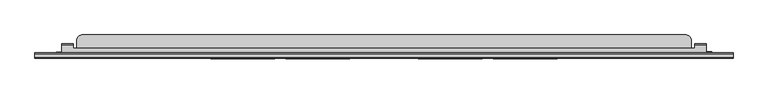
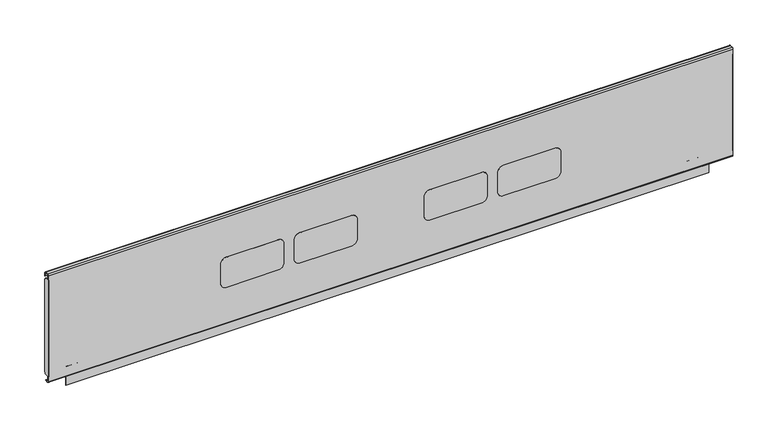
"""IFC4 building model written with IfcOpenShell, lengths in millimetres: furniture geometry."""

from ifc_helpers import new_model, si_unit, point, frame, frame_2d, origin, place, context, project, spatial, polyline, circle_curve, trimmed, segment, composite_curve, outline, extrude, source, transform, mapped, element, save
from ifc_brep_helpers import plane_surface, cylinder_surface, revolved_surface, advanced_brep


def furniture_33774c59(model_context):
    return source(origin(), model_context, "Body", "SolidModel", [
        advanced_brep(
        [(1152.8385851, -189.0734003, 484.7619804), (1152.8385851, -188.2141807, 484.7619804), (1152.8385851, -188.2141807, 502.7217435), (1152.8385851, -190.2544323, 504.7619951), (1152.8385851, -205.2802599, 504.7619951), (1152.8385851, -205.2802599, 503.9524031), (1152.8385851, -190.6453154, 503.9524031), (1152.8385851, -189.0734003, 502.380488), (66.3614013, -189.0734003, 484.7619804), (66.3614013, -189.0734003, 502.380488), (66.3614013, -190.6453154, 503.9524031), (66.3614013, -205.2802599, 503.9524031), (66.3614013, -205.2802599, 504.7619951), (66.3614013, -190.2544323, 504.7619951), (66.3614013, -188.2141807, 502.7217435), (66.3614013, -188.2141807, 484.7619804), (1132.8385704, -189.0734003, 484.7619804), (1132.8385704, -188.2141807, 484.7619804), (86.3614023, -188.2141807, 484.7619804), (86.3614023, -189.0734003, 484.7619804), (1132.8385704, -188.2141807, 502.7217435), (86.3614023, -188.2141807, 502.7217435), (1132.8385704, -190.2544323, 504.7619951), (86.3614023, -190.2544323, 504.7619951), (1132.8385704, -196.3134, 504.7619951), (86.3614023, -196.3134, 504.7619951), (86.3614023, -190.6453154, 503.9524031), (86.3614023, -196.3134, 503.9524031), (1132.8385704, -196.3134, 503.9524031), (1132.8385704, -190.6453154, 503.9524031), (1132.8385704, -189.0734003, 502.380488), (86.3614023, -189.0734003, 502.380488)],
        [
            (0, 1),
            (1, 2),
            (2, 3, circle_curve(frame((1152.8385851, -190.2544323, 502.7217435), z_axis=(1.0, 0.0, 0.0), x_axis=(0.0, 1.0, 0.0)), 2.0402516)),
            (3, 4),
            (4, 5),
            (5, 6),
            (6, 7, circle_curve(frame((1152.8385851, -190.6453154, 502.380488), z_axis=(-1.0, 0.0, 0.0), x_axis=(0.0, 1.0, 0.0)), 1.571915)),
            (7, 0),
            (8, 9),
            (9, 10, circle_curve(frame((66.3614013, -190.6453154, 502.380488), z_axis=(1.0, 0.0, 0.0), x_axis=(0.0, 1.0, 0.0)), 1.571915)),
            (10, 11),
            (11, 12),
            (12, 13),
            (13, 14, circle_curve(frame((66.3614013, -190.2544323, 502.7217435), z_axis=(-1.0, 0.0, 0.0), x_axis=(0.0, 1.0, 0.0)), 2.0402516)),
            (14, 15),
            (15, 8),
            (0, 16),
            (16, 17),
            (17, 1),
            (15, 18),
            (18, 19),
            (19, 8),
            (17, 20),
            (20, 2),
            (14, 21),
            (21, 18),
            (20, 22, circle_curve(frame((1132.8385704, -190.2544323, 502.7217435), z_axis=(1.0, 0.0, 0.0), x_axis=(0.0, 1.0, 0.0)), 2.0402516)),
            (22, 3),
            (13, 23),
            (23, 21, circle_curve(frame((86.3614023, -190.2544323, 502.7217435), z_axis=(-1.0, 0.0, 0.0), x_axis=(0.0, 1.0, 0.0)), 2.0402516)),
            (22, 24),
            (24, 25),
            (25, 23),
            (12, 4),
            (11, 5),
            (10, 26),
            (26, 27),
            (27, 28),
            (28, 29),
            (29, 6),
            (29, 30, circle_curve(frame((1132.8385704, -190.6453154, 502.380488), z_axis=(-1.0, 0.0, 0.0), x_axis=(0.0, 1.0, 0.0)), 1.571915)),
            (30, 7),
            (9, 31),
            (31, 26, circle_curve(frame((86.3614023, -190.6453154, 502.380488), z_axis=(1.0, 0.0, 0.0), x_axis=(0.0, 1.0, 0.0)), 1.571915)),
            (30, 16),
            (19, 31),
            (27, 25),
            (24, 28),
        ],
        [
            plane_surface(frame((1152.8385851, -189.0734003, 484.7619804), z_axis=(1.0, 0.0, 0.0), x_axis=(0.0, 1.0, 0.0))),
            plane_surface(frame((66.3614013, -189.0734003, 484.7619804), z_axis=(-1.0, 0.0, 0.0), x_axis=(0.0, -1.0, 0.0))),
            plane_surface(frame((1152.8385851, -189.0734003, 484.7619804), z_axis=(0.0, 0.0, -1.0), x_axis=(-1.0, 0.0, 0.0))),
            plane_surface(frame((1152.8385851, -188.2141807, 484.7619804), z_axis=(0.0, 1.0, 0.0), x_axis=(-1.0, 0.0, 0.0))),
            cylinder_surface(frame((66.3614013, -190.2544323, 502.7217435), z_axis=(1.0, 0.0, 0.0), x_axis=(0.0, 1.0, 0.0)), 2.0402516),
            plane_surface(frame((1152.8385851, -190.2544323, 504.7619951), z_axis=(0.0, 0.0, 1.0), x_axis=(-1.0, 0.0, 0.0))),
            plane_surface(frame((1152.8385851, -205.2802599, 504.7619951), z_axis=(0.0, -1.0, 0.0), x_axis=(-1.0, 0.0, 0.0))),
            plane_surface(frame((1152.8385851, -205.2802599, 503.9524031), z_axis=(0.0, 0.0, -1.0), x_axis=(-1.0, 0.0, 0.0))),
            revolved_surface(polyline([(1132.8385704, -189.0734004, 502.380488), (1152.8385851, -189.0734004, 502.380488)]), (66.3614013, -190.6453154, 502.380488), (-1.0, 0.0, 0.0)),
            revolved_surface(polyline([(66.3614013, -189.0734004, 502.380488), (86.3614023, -189.0734004, 502.380488)]), (66.3614013, -190.6453154, 502.380488), (-1.0, 0.0, 0.0)),
            plane_surface(frame((1152.8385851, -189.0734003, 502.380488), z_axis=(0.0, -1.0, 0.0), x_axis=(-1.0, 0.0, 0.0))),
            plane_surface(frame((86.3614023, -196.3134, 504.7619951), z_axis=(0.0, 1.0, 0.0), x_axis=(0.0, 0.0, -1.0))),
            plane_surface(frame((1132.8385704, -196.3134, 504.7619951), z_axis=(-1.0, 0.0, 0.0), x_axis=(0.0, 0.0, -1.0))),
            plane_surface(frame((86.3614023, -188.2141807, 504.7619951), z_axis=(1.0, 0.0, 0.0), x_axis=(0.0, 0.0, -1.0))),
        ],
        [
            (0, [[1, 2, 3, 4, 5, 6, 7, 8]]),
            (1, [[9, 10, 11, 12, 13, 14, 15, 16]]),
            (2, [[-1, 17, 18, 19]]),
            (2, [[-16, 20, 21, 22]]),
            (3, [[-2, -19, 23, 24]]),
            (3, [[-15, 25, 26, -20]]),
            (4, [[-3, -24, 27, 28]]),
            (4, [[-14, 29, 30, -25]]),
            (5, [[-4, -28, 31, 32, 33, -29, -13, 34]]),
            (6, [[-5, -34, -12, 35]]),
            (7, [[-6, -35, -11, 36, 37, 38, 39, 40]]),
            (8, [[-7, -40, 41, 42]]),
            (9, [[-10, 43, 44, -36]]),
            (10, [[-8, -42, 45, -17]]),
            (10, [[-9, -22, 46, -43]]),
            (11, [[47, -32, 48, -38]]),
            (12, [[-48, -31, -27, -23, -18, -45, -41, -39]]),
            (13, [[-47, -37, -44, -46, -21, -26, -30, -33]]),
        ],
    ),
        advanced_brep(
        [(1161.988608, -202.8234, 481.0000008), (1161.988608, -202.8234, 499.2323507), (1161.988608, -202.3166887, 500.0149173), (1161.988608, -202.3166887, 500.9515261), (1161.988608, -203.7334, 499.164291), (1161.988608, -203.7334, 481.0000008), (57.1999969, -203.7334, 481.0000008), (57.1999969, -203.7334, 499.164291), (57.1999969, -203.20254, 500.4554821), (57.1999969, -203.20254, 481.0000008), (66.3614013, -202.8234, 481.0000008), (66.3614013, -202.8234, 499.2323507), (66.3614013, -201.9657451, 500.0900056), (1150.8385846, -201.9657451, 500.0900056), (1150.8385846, -202.3166887, 500.0149173), (92.2113995, -181.7333994, 500.0900056), (93.2832, -177.7334005, 500.0900056), (96.2114006, -174.8051976, 500.0900056), (100.2114018, -173.7333994, 500.0900056), (1119.0721778, -173.7333994, 500.0900056), (1123.0721789, -174.8051976, 500.0900056), (1126.0003795, -177.7334005, 500.0900056), (1127.07218, -181.7333994, 500.0900056), (1127.07218, -196.3134, 500.0900056), (1150.8385846, -196.3134, 500.0900056), (66.3614013, -196.3134, 500.0900056), (92.2113995, -196.3134, 500.0900056), (100.2114018, -173.7333994, 500.9999791), (1119.0721778, -173.7333994, 500.9999791), (93.2832, -177.7334005, 500.9999791), (92.2113995, -181.7333994, 500.9999791), (92.2113995, -196.3134, 500.9999791), (66.3614013, -196.3134, 500.9999791), (66.3614013, -201.8977118, 500.9999791), (1150.8385846, -201.8977118, 500.9999791), (1150.8385846, -196.3134, 500.9999791), (1127.07218, -196.3134, 500.9999791), (1127.07218, -181.7333994, 500.9999791), (1126.0003795, -177.7334005, 500.9999791), (1123.0721789, -174.8051976, 500.9999791), (96.2114006, -174.8051976, 500.9999791), (1150.8385846, -202.3166887, 500.9515261), (66.3614013, -203.20254, 500.4554821), (66.3614013, -203.20254, 481.0000008)],
        [
            (0, 1),
            (1, 2, circle_curve(frame((1161.988608, -201.9657451, 499.2323507), z_axis=(-1.0, 0.0, 0.0), x_axis=(0.0, 1.0, 0.0)), 0.8576549)),
            (2, 3),
            (3, 4, circle_curve(frame((1161.988608, -201.8977118, 499.164291), z_axis=(1.0, 0.0, 0.0), x_axis=(0.0, 1.0, 0.0)), 1.8356882)),
            (4, 5),
            (5, 0),
            (6, 7),
            (7, 8, circle_curve(frame((57.1999969, -201.8977118, 499.164291), z_axis=(-1.0, 0.0, 0.0), x_axis=(0.0, 1.0, 0.0)), 1.8356882)),
            (8, 9),
            (9, 6),
            (0, 10),
            (10, 11),
            (11, 1),
            (11, 12, circle_curve(frame((66.3614013, -201.9657451, 499.2323507), z_axis=(-1.0, 0.0, 0.0), x_axis=(0.0, 1.0, 0.0)), 0.8576549)),
            (12, 13),
            (13, 14, circle_curve(frame((1150.8385846, -201.9657451, 499.2323507), z_axis=(1.0, 0.0, 0.0), x_axis=(0.0, 1.0, 0.0)), 0.8576549)),
            (14, 2),
            (15, 16),
            (16, 17),
            (17, 18),
            (18, 19),
            (19, 20),
            (20, 21),
            (21, 22),
            (22, 23),
            (23, 24),
            (24, 13),
            (12, 25),
            (25, 26),
            (26, 15),
            (18, 27),
            (27, 28),
            (28, 19),
            (29, 30),
            (30, 31),
            (31, 32),
            (32, 33),
            (33, 34),
            (34, 35),
            (35, 36),
            (36, 37),
            (37, 38),
            (38, 39),
            (39, 28),
            (27, 40),
            (40, 29),
            (7, 4),
            (3, 41),
            (41, 34, circle_curve(frame((1150.8385846, -201.8977118, 499.164291), z_axis=(-1.0, 0.0, 0.0), x_axis=(0.0, 1.0, 0.0)), 1.8356882)),
            (33, 42, circle_curve(frame((66.3614013, -201.8977118, 499.164291), z_axis=(1.0, 0.0, 0.0), x_axis=(0.0, 1.0, 0.0)), 1.8356882)),
            (42, 8),
            (6, 5),
            (9, 43),
            (43, 10),
            (15, 30),
            (29, 16),
            (40, 17),
            (42, 43),
            (32, 25),
            (31, 26),
            (21, 38),
            (37, 22),
            (20, 39),
            (14, 41),
            (24, 35),
            (23, 36),
        ],
        [
            plane_surface(frame((1161.988608, -202.8234, 494.4355179), z_axis=(1.0, 0.0, 0.0), x_axis=(0.0, 0.0, 1.0))),
            plane_surface(frame((57.1999969, -202.8234, 494.4355179), z_axis=(-1.0, 0.0, 0.0), x_axis=(0.0, 0.0, -1.0))),
            plane_surface(frame((1161.988608, -202.8234, 481.0000008), z_axis=(0.0, 1.0, 0.0), x_axis=(-1.0, 0.0, 0.0))),
            revolved_surface(polyline([(66.3614013, -201.1080902, 499.2323507), (1161.988608, -201.1080902, 499.2323507)]), (57.1999969, -201.9657451, 499.2323507), (-1.0, 0.0, 0.0)),
            plane_surface(frame((1161.988608, -201.9657451, 500.0900056), z_axis=(0.0, 0.0, -1.0), x_axis=(-1.0, 0.0, 0.0))),
            plane_surface(frame((1161.988608, -173.7333994, 500.0900056), z_axis=(0.0, 1.0, 0.0), x_axis=(-1.0, 0.0, 0.0))),
            plane_surface(frame((1161.988608, -173.7333994, 500.9999791), z_axis=(0.0, 0.0, 1.0), x_axis=(-1.0, 0.0, 0.0))),
            cylinder_surface(frame((57.1999969, -201.8977118, 499.164291), z_axis=(1.0, 0.0, 0.0), x_axis=(0.0, 1.0, 0.0)), 1.8356882),
            plane_surface(frame((1161.988608, -203.7334, 499.164291), z_axis=(0.0, -1.0, 0.0), x_axis=(-1.0, 0.0, 0.0))),
            plane_surface(frame((1161.988608, -203.7334, 481.0000008), z_axis=(0.0, 0.0, -1.0), x_axis=(-1.0, 0.0, 0.0))),
            plane_surface(frame((92.2113995, -181.7333994, 533.1392388), z_axis=(-0.9659255828324517, 0.2588199536932742, 0.0), x_axis=(0.0, 0.0, -1.0))),
            plane_surface(frame((93.2832, -177.7334005, 533.1392388), z_axis=(-0.707107055381215, 0.7071065069917737, 0.0), x_axis=(0.0, 0.0, -1.0))),
            plane_surface(frame((96.2114006, -174.8051976, 533.1392388), z_axis=(-0.25881930494190625, 0.9659257566652774, 0.0), x_axis=(0.0, 0.0, -1.0))),
            plane_surface(frame((57.2114011, -203.20254, 533.1392388), z_axis=(0.0, 1.0, 0.0), x_axis=(0.0, 0.0, -1.0))),
            plane_surface(frame((66.3614013, -203.20254, 533.1392388), z_axis=(-1.0, 0.0, 0.0), x_axis=(0.0, 0.0, -1.0))),
            plane_surface(frame((66.3614013, -196.3134, 533.1392388), z_axis=(0.0, 1.0, 0.0), x_axis=(0.0, 0.0, -1.0))),
            plane_surface(frame((92.2113995, -196.3134, 533.1392388), z_axis=(-1.0, 0.0, 0.0), x_axis=(0.0, 0.0, -1.0))),
            plane_surface(frame((1126.0003795, -177.7334005, 531.699196), z_axis=(0.9659255828324518, 0.258819953693274, 0.0), x_axis=(0.0, 0.0, -1.0))),
            plane_surface(frame((1123.0721789, -174.8051976, 531.699196), z_axis=(0.707107055381215, 0.7071065069917737, 0.0), x_axis=(0.0, 0.0, -1.0))),
            plane_surface(frame((1119.0721778, -173.7333994, 531.699196), z_axis=(0.25881930494190625, 0.9659257566652774, 0.0), x_axis=(0.0, 0.0, -1.0))),
            plane_surface(frame((1150.8385846, -202.3166887, 531.699196), z_axis=(0.0, 1.0, 0.0), x_axis=(0.0, 0.0, -1.0))),
            plane_surface(frame((1150.8385846, -196.3134, 531.699196), z_axis=(1.0, 0.0, 0.0), x_axis=(0.0, 0.0, -1.0))),
            plane_surface(frame((1127.07218, -196.3134, 531.699196), z_axis=(0.0, 1.0, 0.0), x_axis=(0.0, 0.0, -1.0))),
            plane_surface(frame((1127.07218, -181.7333994, 531.699196), z_axis=(1.0, 0.0, 0.0), x_axis=(0.0, 0.0, -1.0))),
        ],
        [
            (0, [[1, 2, 3, 4, 5, 6]]),
            (1, [[7, 8, 9, 10]]),
            (2, [[-1, 11, 12, 13]]),
            (3, [[-13, 14, 15, 16, 17, -2]]),
            (4, [[18, 19, 20, 21, 22, 23, 24, 25, 26, 27, -15, 28, 29, 30]]),
            (5, [[31, 32, 33, -21]]),
            (6, [[34, 35, 36, 37, 38, 39, 40, 41, 42, 43, 44, -32, 45, 46]]),
            (7, [[47, -4, 48, 49, -38, 50, 51, -8]]),
            (8, [[-5, -47, -7, 52]]),
            (9, [[-6, -52, -10, 53, 54, -11]]),
            (10, [[55, -34, 56, -18]]),
            (11, [[-56, -46, 57, -19]]),
            (12, [[-57, -45, -31, -20]]),
            (13, [[58, -53, -9, -51]]),
            (14, [[-58, -50, -37, 59, -28, -14, -12, -54]]),
            (15, [[-59, -36, 60, -29]]),
            (16, [[-55, -30, -60, -35]]),
            (17, [[61, -42, 62, -24]]),
            (18, [[-61, -23, 63, -43]]),
            (19, [[-63, -22, -33, -44]]),
            (20, [[64, -48, -3, -17]]),
            (21, [[-64, -16, -27, 65, -39, -49]]),
            (22, [[-65, -26, 66, -40]]),
            (23, [[-66, -25, -62, -41]]),
        ],
    ),
        extrude(outline(composite_curve([segment(polyline([(616.0389877, 317.758802), (580.6970512, 317.758802)]), True, "CONTINUOUS"), segment(trimmed(circle_curve(frame_2d((580.6970512, 327.294023)), 9.535221), [point((580.6970512, 317.758802))], [point((571.1618302, 327.294023))], False, "CARTESIAN"), True, "CONTINUOUS"), segment(polyline([(571.1618302, 327.294023), (571.1618302, 415.9669938)]), True, "CONTINUOUS"), segment(trimmed(circle_curve(frame_2d((580.9036446, 415.9669938)), 9.7418143), [point((571.1618302, 415.9669938))], [point((580.9036446, 425.7088081))], False, "CARTESIAN"), True, "CONTINUOUS"), segment(polyline([(580.9036446, 425.7088081), (616.7203082, 425.7088081)]), True, "CONTINUOUS"), segment(trimmed(circle_curve(frame_2d((616.7203082, 416.4032762)), 9.3055319), [point((616.7203082, 425.7088081))], [point((626.0258401, 416.4032762))], False, "CARTESIAN"), True, "CONTINUOUS"), segment(polyline([(626.0258401, 416.4032762), (626.0258401, 327.7456544)]), True, "CONTINUOUS"), segment(trimmed(circle_curve(frame_2d((616.0389877, 327.7456544)), 9.9868524), [point((626.0258401, 327.7456544))], [point((616.0389877, 317.758802))], False, "CARTESIAN"), True, "CONTINUOUS")], self_intersect=False)), frame((0.0, -213.6020823, 0.0), z_axis=(0.0, 1.0, 0.0), x_axis=(0.0, 0.0, 1.0)), (0.0, 0.0, 1.0), 0.2886826),
        extrude(outline(composite_curve([segment(polyline([(616.0389877, 444.0476051), (580.6970512, 444.0476051)]), True, "CONTINUOUS"), segment(trimmed(circle_curve(frame_2d((580.6970512, 453.5828261)), 9.535221), [point((580.6970512, 444.0476051))], [point((571.1618302, 453.5828261))], False, "CARTESIAN"), True, "CONTINUOUS"), segment(polyline([(571.1618302, 453.5828261), (571.1618302, 542.2557787)]), True, "CONTINUOUS"), segment(trimmed(circle_curve(frame_2d((580.9036446, 542.2557787)), 9.7418143), [point((571.1618302, 542.2557787))], [point((580.9036446, 551.997593))], False, "CARTESIAN"), True, "CONTINUOUS"), segment(polyline([(580.9036446, 551.997593), (616.7203082, 551.997593)]), True, "CONTINUOUS"), segment(trimmed(circle_curve(frame_2d((616.7203082, 542.6920611)), 9.3055319), [point((616.7203082, 551.997593))], [point((626.0258401, 542.6920611))], False, "CARTESIAN"), True, "CONTINUOUS"), segment(polyline([(626.0258401, 542.6920611), (626.0258401, 454.0344575)]), True, "CONTINUOUS"), segment(trimmed(circle_curve(frame_2d((616.0389877, 454.0344575)), 9.9868524), [point((626.0258401, 454.0344575))], [point((616.0389877, 444.0476051))], False, "CARTESIAN"), True, "CONTINUOUS")], self_intersect=False)), frame((0.0, -213.6020823, 0.0), z_axis=(0.0, 1.0, 0.0), x_axis=(0.0, 0.0, 1.0)), (0.0, 0.0, 1.0), 0.2886826),
        extrude(outline(composite_curve([segment(polyline([(616.0389877, 667.3851962), (580.6970512, 667.3851962)]), True, "CONTINUOUS"), segment(trimmed(circle_curve(frame_2d((580.6970512, 676.9204172)), 9.535221), [point((580.6970512, 667.3851962))], [point((571.1618302, 676.9204172))], False, "CARTESIAN"), True, "CONTINUOUS"), segment(polyline([(571.1618302, 676.9204172), (571.1618302, 765.5933698)]), True, "CONTINUOUS"), segment(trimmed(circle_curve(frame_2d((580.9036446, 765.5933698)), 9.7418143), [point((571.1618302, 765.5933698))], [point((580.9036446, 775.3351841))], False, "CARTESIAN"), True, "CONTINUOUS"), segment(polyline([(580.9036446, 775.3351841), (616.7203082, 775.3351841)]), True, "CONTINUOUS"), segment(trimmed(circle_curve(frame_2d((616.7203082, 766.0296522)), 9.3055319), [point((616.7203082, 775.3351841))], [point((626.0258401, 766.0296522))], False, "CARTESIAN"), True, "CONTINUOUS"), segment(polyline([(626.0258401, 766.0296522), (626.0258401, 677.3720486)]), True, "CONTINUOUS"), segment(trimmed(circle_curve(frame_2d((616.0389877, 677.3720486)), 9.9868524), [point((626.0258401, 677.3720486))], [point((616.0389877, 667.3851962))], False, "CARTESIAN"), True, "CONTINUOUS")], self_intersect=False)), frame((0.0, -213.6020823, 0.0), z_axis=(0.0, 1.0, 0.0), x_axis=(0.0, 0.0, 1.0)), (0.0, 0.0, 1.0), 0.2886826),
        extrude(outline(composite_curve([segment(polyline([(616.0389877, 793.6739811), (580.6970512, 793.6739811)]), True, "CONTINUOUS"), segment(trimmed(circle_curve(frame_2d((580.6970512, 803.2092021)), 9.535221), [point((580.6970512, 793.6739811))], [point((571.1618302, 803.2092021))], False, "CARTESIAN"), True, "CONTINUOUS"), segment(polyline([(571.1618302, 803.2092021), (571.1618302, 891.8821729)]), True, "CONTINUOUS"), segment(trimmed(circle_curve(frame_2d((580.9036446, 891.8821729)), 9.7418143), [point((571.1618302, 891.8821729))], [point((580.9036446, 901.6239872))], False, "CARTESIAN"), True, "CONTINUOUS"), segment(polyline([(580.9036446, 901.6239872), (616.7203082, 901.6239872)]), True, "CONTINUOUS"), segment(trimmed(circle_curve(frame_2d((616.7203082, 892.3184553)), 9.3055319), [point((616.7203082, 901.6239872))], [point((626.0258401, 892.3184553))], False, "CARTESIAN"), True, "CONTINUOUS"), segment(polyline([(626.0258401, 892.3184553), (626.0258401, 803.6608335)]), True, "CONTINUOUS"), segment(trimmed(circle_curve(frame_2d((616.0389877, 803.6608335)), 9.9868524), [point((626.0258401, 803.6608335))], [point((616.0389877, 793.6739811))], False, "CARTESIAN"), True, "CONTINUOUS")], self_intersect=False)), frame((0.0, -213.6020823, 0.0), z_axis=(0.0, 1.0, 0.0), x_axis=(0.0, 0.0, 1.0)), (0.0, 0.0, 1.0), 0.2886826),
        extrude(outline(composite_curve([segment(trimmed(circle_curve(frame_2d((-206.9291712, 686.8262094)), 3.1957713), [point((-206.9291712, 690.0219807))], [point((-203.7334, 686.8262094))], False, "CARTESIAN"), True, "CONTINUOUS"), segment(polyline([(-203.7334, 686.8262094), (-203.7334, 518.3179711)]), True, "CONTINUOUS"), segment(trimmed(circle_curve(frame_2d((-207.0693602, 518.3179711)), 3.3359602), [point((-203.7334, 518.3179711))], [point((-207.0693602, 514.9820108))], False, "CARTESIAN"), True, "CONTINUOUS"), segment(polyline([(-207.0693602, 514.9820108), (-213.3133997, 514.9820108), (-213.3133997, 690.0219807), (-206.9291712, 690.0219807)]), True, "CONTINUOUS")], self_intersect=False)), frame((1197.0225161, 0.0, 0.0), z_axis=(1.0, 0.0, 0.0), x_axis=(0.0, 1.0, 0.0)), (0.0, 0.0, 1.0), 0.8160839),
        extrude(outline(composite_curve([segment(trimmed(circle_curve(frame_2d((-206.9291712, 686.8262094)), 3.1957713), [point((-206.9291712, 690.0219807))], [point((-203.7334, 686.8262094))], False, "CARTESIAN"), True, "CONTINUOUS"), segment(polyline([(-203.7334, 686.8262094), (-203.7334, 518.3179711)]), True, "CONTINUOUS"), segment(trimmed(circle_curve(frame_2d((-207.0693602, 518.3179711)), 3.3359602), [point((-203.7334, 518.3179711))], [point((-207.0693602, 514.9820108))], False, "CARTESIAN"), True, "CONTINUOUS"), segment(polyline([(-207.0693602, 514.9820108), (-213.3133997, 514.9820108), (-213.3133997, 690.0219807), (-206.9291712, 690.0219807)]), True, "CONTINUOUS")], self_intersect=False)), frame((21.3614, 0.0, 0.0), z_axis=(1.0, 0.0, 0.0), x_axis=(0.0, 1.0, 0.0)), (0.0, 0.0, 1.0), 0.8160953),
        extrude(outline(composite_curve([segment(trimmed(circle_curve(frame_2d((-211.2812247, 505.9349516)), 1.1729565), [point((-212.4541812, 505.9349516))], [point((-211.2812247, 504.7619951))], True, "CARTESIAN"), True, "CONTINUOUS"), segment(polyline([(-211.2812247, 504.7619951), (-205.2802599, 504.7619951), (-205.2802599, 503.9524031), (-211.0210029, 503.9524031)]), True, "CONTINUOUS"), segment(trimmed(circle_curve(frame_2d((-211.0210029, 506.2447998)), 2.2923967), [point((-211.0210029, 503.9524031))], [point((-213.3133997, 506.2447998))], False, "CARTESIAN"), True, "CONTINUOUS"), segment(polyline([(-213.3133997, 506.2447998), (-213.3133997, 698.9356498)]), True, "CONTINUOUS"), segment(trimmed(circle_curve(frame_2d((-211.2470704, 698.9356498)), 2.0663293), [point((-213.3133997, 698.9356498))], [point((-211.2470704, 701.0019791))], False, "CARTESIAN"), True, "CONTINUOUS"), segment(polyline([(-211.2470704, 701.0019791), (-205.8421502, 701.0019791)]), True, "CONTINUOUS"), segment(trimmed(circle_curve(frame_2d((-205.8421502, 698.8591335)), 2.1428456), [point((-205.8421502, 701.0019791))], [point((-203.6993046, 698.8591335))], False, "CARTESIAN"), True, "CONTINUOUS"), segment(polyline([(-203.6993046, 698.8591335), (-203.6993046, 693.0032856), (-204.4934, 693.0032856), (-204.4934, 698.9068456)]), True, "CONTINUOUS"), segment(trimmed(circle_curve(frame_2d((-205.8285508, 698.9068456)), 1.3351508), [point((-204.4934, 698.9068456))], [point((-205.8285508, 700.2419964))], True, "CARTESIAN"), True, "CONTINUOUS"), segment(polyline([(-205.8285508, 700.2419964), (-211.1847197, 700.2419964)]), True, "CONTINUOUS"), segment(trimmed(circle_curve(frame_2d((-211.1847197, 698.9725349)), 1.2694615), [point((-211.1847197, 700.2419964))], [point((-212.4541812, 698.9725349))], True, "CARTESIAN"), True, "CONTINUOUS"), segment(polyline([(-212.4541812, 698.9725349), (-212.4541812, 505.9349516)]), True, "CONTINUOUS")], self_intersect=False)), frame((21.3614, 0.0, 0.0), z_axis=(1.0, 0.0, 0.0), x_axis=(0.0, 1.0, 0.0)), (0.0, 0.0, 1.0), 1176.4772),
    ])


if __name__ == "__main__":
    model = new_model("IFC4")
    model_context = context("Model", 3, world=origin())
    ifc_project = project(units=[si_unit("LENGTHUNIT", "METRE", prefix="MILLI")], contexts=[model_context])
    site = spatial("IfcSite", under=ifc_project)
    building = spatial("IfcBuilding", under=site)
    placement = place(None, origin())
    furniture_shape = furniture_33774c59(model_context)
    element("IfcFurniture", 1, at=placement, inside=building, context=model_context, shape_type="MappedRepresentation", body=[
        mapped(furniture_shape, transform((0.0, 0.0, 0.0), x_axis=(1.0, 0.0, 0.0), y_axis=(0.0, 1.0, 0.0), z_axis=(0.0, 0.0, 1.0))),
    ])
    save(model, "model.ifc")
